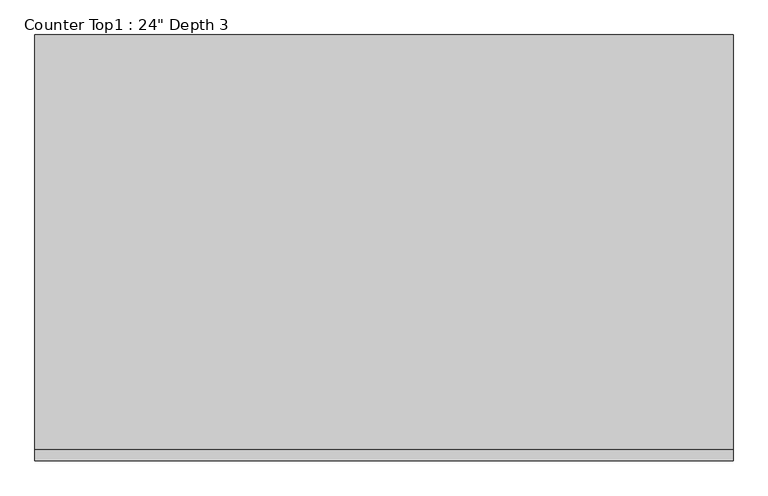
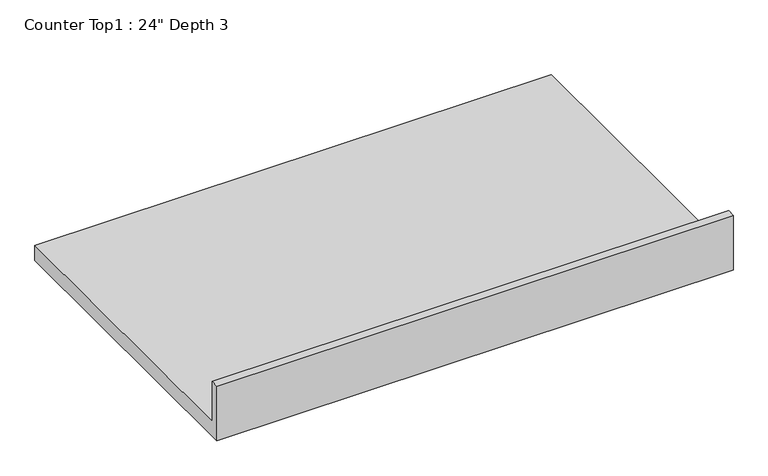
"""IFC4 building model written with IfcOpenShell, lengths in millimetres: furniture geometry."""

from ifc_helpers import new_model, si_unit, frame, origin, place, context, project, spatial, polyline, outline, extrude, source, transform, mapped, element, save


def furniture_8630e021(model_context):
    return source(origin(), model_context, "Body", "SweptSolid", [
        extrude(outline(polyline([(0.0, 1016.0), (19.05, 1016.0), (19.05, 914.4), (757.0, 914.4), (757.0, 876.3), (0.0, 876.3), (0.0, 1016.0)])), frame((-1200.4622951, 0.0, 0.0), z_axis=(1.0, 0.0, 0.0), x_axis=(0.0, 1.0, 0.0)), (0.0, 0.0, 1.0), 1241.425),
    ])


if __name__ == "__main__":
    model = new_model("IFC4")
    model_context = context("Model", 3, world=origin())
    ifc_project = project(units=[si_unit("LENGTHUNIT", "METRE", prefix="MILLI")], contexts=[model_context])
    site = spatial("IfcSite", under=ifc_project)
    building = spatial("IfcBuilding", under=site)
    placement = place(None, origin())
    furniture_shape = furniture_8630e021(model_context)
    element("IfcFurniture", 1, ObjectType="Counter Top1 : 24\" Depth 3", at=placement, inside=building, context=model_context, shape_type="MappedRepresentation", body=[
        mapped(furniture_shape, transform((0.0, 0.0, 0.0), x_axis=(1.0, 0.0, 0.0), y_axis=(0.0, 1.0, 0.0), z_axis=(0.0, 0.0, 1.0))),
    ])
    save(model, "model.ifc")
